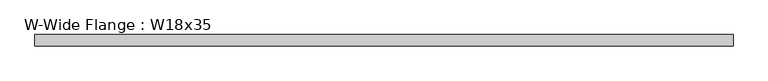
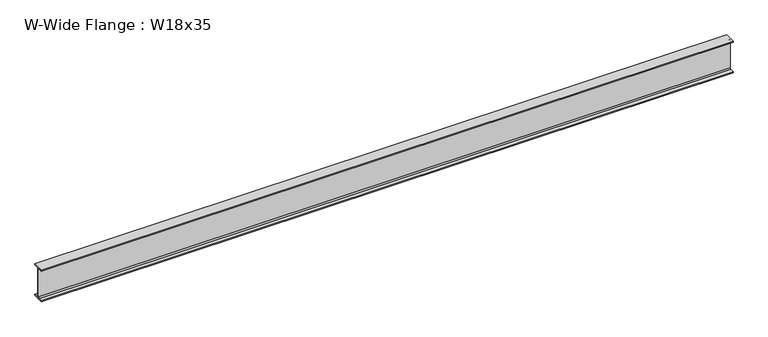
"""IFC4 building model written with IfcOpenShell, lengths in millimetres: beam geometry, W-Wide Flange : W18x35."""

from ifc_helpers import new_model, si_unit, point, frame, frame_2d, origin, place, context, project, spatial, polyline, circle_curve, trimmed, segment, composite_curve, outline, extrude, source, transform, mapped, element, save


def w_wide_flange_w18x35_6ab5f671(model_context):
    return source(origin(), model_context, "Body", "SweptSolid", [
        extrude(outline(composite_curve([segment(polyline([(76.2, -213.995), (76.2, -224.79), (-76.2, -224.79), (-76.2, -213.995), (-21.59, -213.995)]), True, "CONTINUOUS"), segment(trimmed(circle_curve(frame_2d((-21.59, -196.215)), 17.78), [point((-21.59, -213.995))], [point((-3.81, -196.215))], True, "CARTESIAN"), True, "CONTINUOUS"), segment(polyline([(-3.81, -196.215), (-3.81, 196.215)]), True, "CONTINUOUS"), segment(trimmed(circle_curve(frame_2d((-21.59, 196.215)), 17.78), [point((-3.81, 196.215))], [point((-21.59, 213.995))], True, "CARTESIAN"), True, "CONTINUOUS"), segment(polyline([(-21.59, 213.995), (-76.2, 213.995), (-76.2, 224.79), (76.2, 224.79), (76.2, 213.995), (21.59, 213.995)]), True, "CONTINUOUS"), segment(trimmed(circle_curve(frame_2d((21.59, 196.215)), 17.78), [point((21.59, 213.995))], [point((3.81, 196.215))], True, "CARTESIAN"), True, "CONTINUOUS"), segment(polyline([(3.81, 196.215), (3.81, -196.215)]), True, "CONTINUOUS"), segment(trimmed(circle_curve(frame_2d((21.59, -196.215)), 17.78), [point((3.81, -196.215))], [point((21.59, -213.995))], True, "CARTESIAN"), True, "CONTINUOUS"), segment(polyline([(21.59, -213.995), (76.2, -213.995)]), True, "CONTINUOUS")], self_intersect=False)), frame((-4711.7, 0.0, 0.0), z_axis=(1.0, 0.0, 0.0), x_axis=(0.0, 1.0, 0.0)), (0.0, 0.0, 1.0), 9422.13),
    ])


if __name__ == "__main__":
    model = new_model("IFC4")
    model_context = context("Model", 3, world=origin())
    ifc_project = project(units=[si_unit("LENGTHUNIT", "METRE", prefix="MILLI")], contexts=[model_context])
    site = spatial("IfcSite", under=ifc_project)
    building = spatial("IfcBuilding", under=site)
    placement = place(None, origin())
    w_wide_flange_w18x35_shape = w_wide_flange_w18x35_6ab5f671(model_context)
    element("IfcBeam", 1, ObjectType="W-Wide Flange : W18x35", at=placement, inside=building, context=model_context, shape_type="MappedRepresentation", body=[
        mapped(w_wide_flange_w18x35_shape, transform((0.0, 0.0, 0.0), x_axis=(1.0, 0.0, 0.0), y_axis=(0.0, 1.0, 0.0), z_axis=(0.0, 0.0, 1.0))),
    ])
    save(model, "model.ifc")
